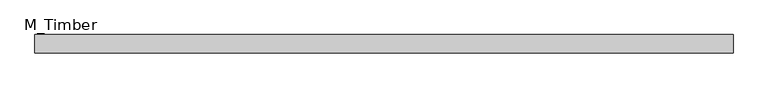
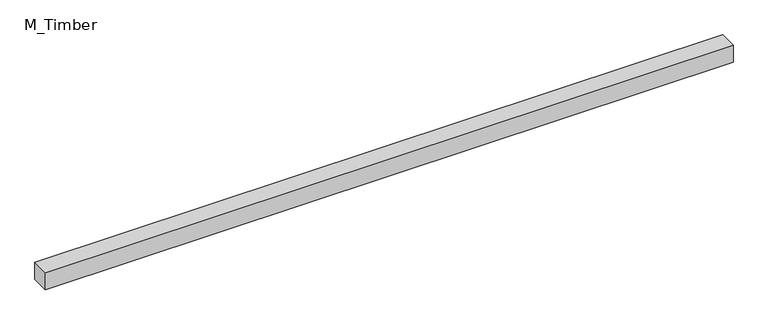
"""IFC4 building model written with IfcOpenShell, lengths in millimetres: beam geometry, M_Timber."""

from ifc_helpers import new_model, si_unit, frame, origin, place, context, project, spatial, polyline, outline, extrude, source, transform, mapped, element, save


def m_timber_830acd8e(model_context):
    return source(origin(), model_context, "Body", "SweptSolid", [
        extrude(outline(polyline([(760.0194441, 20.0), (760.0194441, -20.0), (-760.0194441, -20.0), (-760.0194441, 20.0), (760.0194441, 20.0)])), frame((0.0, 0.0, -20.0), z_axis=(0.0, 0.0, 1.0), x_axis=(1.0, 0.0, 0.0)), (0.0, 0.0, 1.0), 40.0),
    ])


if __name__ == "__main__":
    model = new_model("IFC4")
    model_context = context("Model", 3, world=origin())
    ifc_project = project(units=[si_unit("LENGTHUNIT", "METRE", prefix="MILLI")], contexts=[model_context])
    site = spatial("IfcSite", under=ifc_project)
    building = spatial("IfcBuilding", under=site)
    placement = place(None, origin())
    m_timber_shape = m_timber_830acd8e(model_context)
    element("IfcBeam", 1, ObjectType="M_Timber", at=placement, inside=building, context=model_context, shape_type="MappedRepresentation", body=[
        mapped(m_timber_shape, transform((0.0, 0.0, 0.0), x_axis=(1.0, 0.0, 0.0), y_axis=(0.0, 1.0, 0.0), z_axis=(0.0, 0.0, 1.0))),
    ])
    save(model, "model.ifc")
